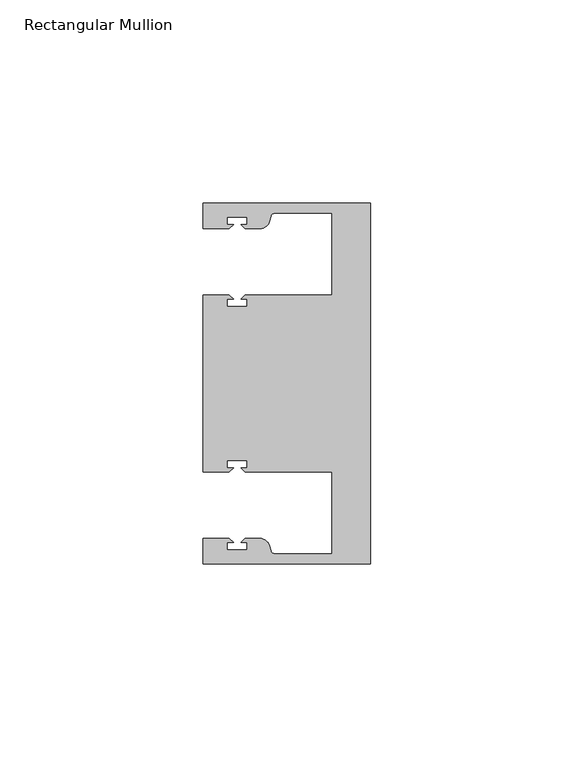
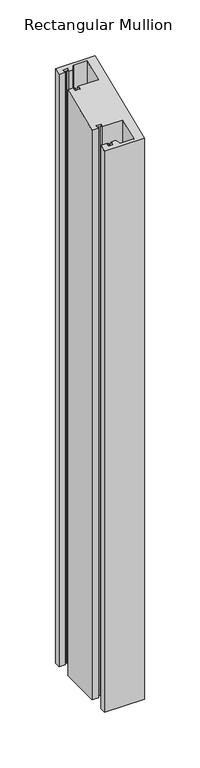
"""IFC4 building model written with IfcOpenShell, lengths in millimetres: member geometry, Rectangular Mullion."""

from ifc_helpers import new_model, si_unit, frame, origin, place, context, project, spatial, polyline, circle_curve, ellipse_curve, source, transform, mapped, element, save
from ifc_brep_helpers import plane_surface, cylinder_surface, revolved_surface, advanced_brep


def rectangular_mullion_9a7f9920(model_context):
    return source(origin(), model_context, "Body", "AdvancedBrep", [
        advanced_brep(
        [(0.0, 44.45, -635.0), (0.0, -44.45, -635.0), (-41.275, -44.45, -635.0), (-41.275, -38.1499897, -635.0), (-34.8007531, -38.1499897, -635.0), (-33.8007405, -39.1500023, -635.0), (-35.3749778, -39.1500023, -635.0), (-35.3749778, -40.9498819, -635.0), (-30.3749831, -40.9498819, -635.0), (-30.3749831, -39.1500023, -635.0), (-31.949256, -39.1500023, -635.0), (-30.9492503, -38.1499966, -635.0), (-27.2637853, -38.1499966, -635.0), (-24.8489707, -40.002949, -635.0), (-24.5258588, -41.2088192, -635.0), (-23.5599329, -41.9500001, -635.0), (-9.525, -41.95, -635.0), (-9.525, -21.7499959, -635.0), (-30.9492434, -21.7499959, -635.0), (-31.949256, -20.7499834, -635.0), (-30.3750186, -20.7499834, -635.0), (-30.3750186, -18.949936, -635.0), (-35.3750134, -18.949936, -635.0), (-35.3750134, -20.7499834, -635.0), (-33.8007405, -20.7499834, -635.0), (-34.8007562, -21.749999, -635.0), (-41.275, -21.749999, -635.0), (-41.275, 21.749999, -635.0), (-34.8007562, 21.749999, -635.0), (-33.8007405, 20.7499834, -635.0), (-35.3750134, 20.7499834, -635.0), (-35.3750134, 18.949936, -635.0), (-30.3750186, 18.949936, -635.0), (-30.3750186, 20.7499834, -635.0), (-31.949256, 20.7499834, -635.0), (-30.9492434, 21.7499959, -635.0), (-9.525, 21.7499959, -635.0), (-9.525, 41.95, -635.0), (-23.5599329, 41.95, -635.0), (-24.5258588, 41.2088192, -635.0), (-24.8489707, 40.002949, -635.0), (-27.2637853, 38.1499966, -635.0), (-30.9492503, 38.1499966, -635.0), (-31.949256, 39.1500023, -635.0), (-30.3749831, 39.1500023, -635.0), (-30.3749831, 40.9498819, -635.0), (-35.3749778, 40.9498819, -635.0), (-35.3749778, 39.1500023, -635.0), (-33.8007405, 39.1500023, -635.0), (-34.8007531, 38.1499897, -635.0), (-41.2749977, 38.1499897, -635.0), (-41.2749977, 44.45, -635.0), (-41.2749977, 44.45, 18.4117928), (0.0, 44.45, 18.4117928), (-41.2749977, 38.1499897, 15.8022431), (-34.8007531, 38.1499897, 15.8022431), (-33.8007405, 39.1500023, 16.2164619), (-35.3749778, 39.1500023, 16.2164619), (-35.3749778, 40.9498819, 16.9619965), (-30.3749831, 40.9498819, 16.9619965), (-30.3749831, 39.1500023, 16.2164619), (-31.949256, 39.1500023, 16.2164619), (-30.9492503, 38.1499966, 15.802246), (-27.2637853, 38.1499966, 15.802246), (-24.8489707, 40.002949, 16.569764), (-24.5258588, 41.2088192, 17.0692518), (-23.5599329, 41.9500001, 17.376259), (-9.525, 41.95, 17.3762589), (-9.525, 21.7499959, 9.0091433), (-30.9492434, 21.7499959, 9.0091433), (-31.949256, 20.7499834, 8.5949245), (-30.3750186, 20.7499834, 8.5949245), (-30.3750186, 18.949936, 7.8493205), (-35.3750134, 18.949936, 7.8493205), (-35.3750134, 20.7499834, 8.5949245), (-33.8007405, 20.7499834, 8.5949245), (-34.8007562, 21.749999, 9.0091446), (-41.275, 21.749999, 9.0091446), (-41.275, -21.749999, -9.0091446), (-34.8007562, -21.749999, -9.0091446), (-33.8007405, -20.7499834, -8.5949245), (-35.3750134, -20.7499834, -8.5949245), (-35.3750134, -18.949936, -7.8493205), (-30.3750186, -18.949936, -7.8493205), (-30.3750186, -20.7499834, -8.5949245), (-31.949256, -20.7499834, -8.5949245), (-30.9492434, -21.7499959, -9.0091433), (-9.525, -21.7499959, -9.0091433), (-9.525, -41.95, -17.3762589), (-23.5599329, -41.95, -17.376259), (-24.5258588, -41.2088192, -17.0692518), (-24.8489707, -40.002949, -16.569764), (-27.2637853, -38.1499966, -15.802246), (-30.9492503, -38.1499966, -15.802246), (-31.949256, -39.1500023, -16.2164619), (-30.3749831, -39.1500023, -16.2164619), (-30.3749831, -40.9498819, -16.9619965), (-35.3749778, -40.9498819, -16.9619965), (-35.3749778, -39.1500023, -16.2164619), (-33.8007405, -39.1500023, -16.2164619), (-34.8007531, -38.1499897, -15.8022431), (-41.275, -38.1499897, -15.8022431), (-41.275, -44.45, -18.4117928), (0.0, -44.45, -18.4117928)],
        [
            (0, 1),
            (1, 2),
            (2, 3),
            (3, 4),
            (4, 5),
            (5, 6),
            (6, 7),
            (7, 8),
            (8, 9),
            (9, 10),
            (10, 11),
            (11, 12),
            (12, 13, circle_curve(frame((-27.2637853, -40.6499966, -635.0), z_axis=(0.0, 0.0, -1.0), x_axis=(0.0, 1.0, 0.0)), 2.5)),
            (13, 14),
            (14, 15, circle_curve(frame((-23.5599329, -40.9500001, -635.0), z_axis=(0.0, 0.0, 1.0), x_axis=(0.0, 1.0, 0.0)), 1.0)),
            (15, 16),
            (16, 17),
            (17, 18),
            (18, 19),
            (19, 20),
            (20, 21),
            (21, 22),
            (22, 23),
            (23, 24),
            (24, 25),
            (25, 26),
            (26, 27),
            (27, 28),
            (28, 29),
            (29, 30),
            (30, 31),
            (31, 32),
            (32, 33),
            (33, 34),
            (34, 35),
            (35, 36),
            (36, 37),
            (37, 38),
            (38, 39, circle_curve(frame((-23.5599329, 40.9500001, -635.0), z_axis=(0.0, 0.0, 1.0), x_axis=(0.0, -1.0, 0.0)), 1.0)),
            (39, 40),
            (40, 41, circle_curve(frame((-27.2637853, 40.6499966, -635.0), z_axis=(0.0, 0.0, -1.0), x_axis=(0.0, -1.0, 0.0)), 2.5)),
            (41, 42),
            (42, 43),
            (43, 44),
            (44, 45),
            (45, 46),
            (46, 47),
            (47, 48),
            (48, 49),
            (49, 50),
            (50, 51),
            (51, 0),
            (52, 53),
            (53, 0),
            (51, 52),
            (54, 52),
            (50, 54),
            (55, 54),
            (49, 55),
            (56, 55),
            (48, 56),
            (57, 56),
            (47, 57),
            (58, 57),
            (46, 58),
            (59, 58),
            (45, 59),
            (60, 59),
            (44, 60),
            (61, 60),
            (43, 61),
            (62, 61),
            (42, 62),
            (63, 62),
            (41, 63),
            (64, 63, ellipse_curve(frame((-27.2637853, 40.6499966, 16.8377799), z_axis=(0.0, 0.3826834323650908, -0.9238795325112863), x_axis=(0.0, 0.9238795325112863, 0.38268343236509106)), 2.7059805, 2.5)),
            (40, 64),
            (65, 64),
            (39, 65),
            (66, 65, ellipse_curve(frame((-23.5599329, 40.9500001, 16.9620454), z_axis=(0.0, -0.3826834323650908, 0.9238795325112863), x_axis=(0.0, -0.9238795325112863, -0.38268343236509106)), 1.0823922, 1.0)),
            (38, 66),
            (67, 66),
            (37, 67),
            (68, 67),
            (36, 68),
            (69, 68),
            (35, 69),
            (70, 69),
            (34, 70),
            (71, 70),
            (33, 71),
            (72, 71),
            (32, 72),
            (73, 72),
            (31, 73),
            (74, 73),
            (30, 74),
            (75, 74),
            (29, 75),
            (76, 75),
            (28, 76),
            (77, 76),
            (27, 77),
            (78, 77),
            (26, 78),
            (79, 78),
            (25, 79),
            (80, 79),
            (24, 80),
            (81, 80),
            (23, 81),
            (82, 81),
            (22, 82),
            (83, 82),
            (21, 83),
            (84, 83),
            (20, 84),
            (85, 84),
            (19, 85),
            (86, 85),
            (18, 86),
            (87, 86),
            (17, 87),
            (88, 87),
            (16, 88),
            (89, 88),
            (15, 89),
            (90, 89, ellipse_curve(frame((-23.5599329, -40.9500001, -16.9620454), z_axis=(0.0, -0.3826834323650908, 0.9238795325112863), x_axis=(0.0, -0.9238795325112863, -0.38268343236509106)), 1.0823922, 1.0)),
            (14, 90),
            (91, 90),
            (13, 91),
            (92, 91, ellipse_curve(frame((-27.2637853, -40.6499966, -16.8377799), z_axis=(0.0, 0.3826834323650908, -0.9238795325112863), x_axis=(0.0, 0.9238795325112863, 0.38268343236509106)), 2.7059805, 2.5)),
            (12, 92),
            (93, 92),
            (11, 93),
            (94, 93),
            (10, 94),
            (95, 94),
            (9, 95),
            (96, 95),
            (8, 96),
            (97, 96),
            (7, 97),
            (98, 97),
            (6, 98),
            (99, 98),
            (5, 99),
            (100, 99),
            (4, 100),
            (101, 100),
            (3, 101),
            (102, 101),
            (2, 102),
            (103, 102),
            (1, 103),
            (53, 103),
        ],
        [
            plane_surface(frame((0.0, -60.6582898, -635.0), z_axis=(0.0, 0.0, -1.0), x_axis=(-1.0, 0.0, 0.0))),
            plane_surface(frame((0.0, 44.45, 0.0), z_axis=(0.0, 1.0, 0.0), x_axis=(0.0, 0.0, -1.0))),
            plane_surface(frame((-41.2749977, 44.45, 0.0), z_axis=(-1.0, 0.0, 0.0), x_axis=(0.0, 0.0, -1.0))),
            plane_surface(frame((-41.2749977, 38.1499897, 0.0), z_axis=(0.0, -1.0, 0.0), x_axis=(0.0, 0.0, -1.0))),
            plane_surface(frame((-34.8007531, 38.1499897, 0.0), z_axis=(0.7071067811865492, -0.7071067811865459, 0.0), x_axis=(0.0, 0.0, -1.0))),
            plane_surface(frame((-33.8007405, 39.1500023, 0.0), z_axis=(0.0, 1.0, 0.0), x_axis=(0.0, 0.0, -1.0))),
            plane_surface(frame((-35.3749778, 39.1500023, 0.0), z_axis=(1.0, 0.0, 0.0), x_axis=(0.0, 0.0, -1.0))),
            plane_surface(frame((-35.3749778, 40.9498819, 0.0), z_axis=(0.0, -1.0, 0.0), x_axis=(0.0, 0.0, -1.0))),
            plane_surface(frame((-30.3749831, 40.9498819, 0.0), z_axis=(-1.0, 0.0, 0.0), x_axis=(0.0, 0.0, -1.0))),
            plane_surface(frame((-30.3749831, 39.1500023, 0.0), z_axis=(0.0, 1.0, 0.0), x_axis=(0.0, 0.0, -1.0))),
            plane_surface(frame((-31.949256, 39.1500023, 0.0), z_axis=(-0.7071067811865469, -0.7071067811865481, 0.0), x_axis=(0.0, 0.0, -1.0))),
            plane_surface(frame((-30.9492503, 38.1499966, 0.0), z_axis=(0.0, -1.0, 0.0), x_axis=(0.0, 0.0, -1.0))),
            cylinder_surface(frame((-27.2637853, 40.6499966, 0.0), z_axis=(0.0, 0.0, 1.0), x_axis=(0.0, -1.0, 0.0)), 2.5),
            plane_surface(frame((-24.8489707, 40.002949, 0.0), z_axis=(0.965925826289163, -0.2588190451021675, 0.0), x_axis=(0.0, 0.0, -1.0))),
            revolved_surface(polyline([(-23.5599329, 39.9500001, -635.0), (-23.5599329, 39.9500001, 17.376259)]), (-23.5599329, 40.9500001, 0.0), (0.0, 0.0, -1.0)),
            plane_surface(frame((-23.5599329, 41.95, 0.0), z_axis=(0.0, -1.0, 0.0), x_axis=(0.0, 0.0, -1.0))),
            plane_surface(frame((-9.525, 41.95, 0.0), z_axis=(-1.0, 0.0, 0.0), x_axis=(0.0, 0.0, -1.0))),
            plane_surface(frame((-9.525, 21.7499959, 0.0), z_axis=(0.0, 1.0, 0.0), x_axis=(0.0, 0.0, -1.0))),
            plane_surface(frame((-30.9492434, 21.7499959, 0.0), z_axis=(-0.7071067811865492, 0.7071067811865459, 0.0), x_axis=(0.0, 0.0, -1.0))),
            plane_surface(frame((-31.949256, 20.7499834, 0.0), z_axis=(0.0, -1.0, 0.0), x_axis=(0.0, 0.0, -1.0))),
            plane_surface(frame((-30.3750186, 20.7499834, 0.0), z_axis=(-1.0, 0.0, 0.0), x_axis=(0.0, 0.0, -1.0))),
            plane_surface(frame((-30.3750186, 18.949936, 0.0), z_axis=(0.0, 1.0, 0.0), x_axis=(0.0, 0.0, -1.0))),
            plane_surface(frame((-35.3750134, 18.949936, 0.0), z_axis=(1.0, 0.0, 0.0), x_axis=(0.0, 0.0, -1.0))),
            plane_surface(frame((-35.3750134, 20.7499834, 0.0), z_axis=(0.0, -1.0, 0.0), x_axis=(0.0, 0.0, -1.0))),
            plane_surface(frame((-33.8007405, 20.7499834, 0.0), z_axis=(0.7071067811865472, 0.7071067811865479, 0.0), x_axis=(0.0, 0.0, -1.0))),
            plane_surface(frame((-34.8007562, 21.749999, 0.0), z_axis=(0.0, 1.0, 0.0), x_axis=(0.0, 0.0, -1.0))),
            plane_surface(frame((-41.275, 21.749999, 0.0), z_axis=(-1.0, 0.0, 0.0), x_axis=(0.0, 0.0, -1.0))),
            plane_surface(frame((-41.275, -21.749999, 0.0), z_axis=(0.0, -1.0, 0.0), x_axis=(0.0, 0.0, -1.0))),
            plane_surface(frame((-34.8007562, -21.749999, 0.0), z_axis=(0.7071067811865427, -0.7071067811865525, 0.0), x_axis=(0.0, 0.0, -1.0))),
            plane_surface(frame((-33.8007405, -20.7499834, 0.0), z_axis=(0.0, 1.0, 0.0), x_axis=(0.0, 0.0, -1.0))),
            plane_surface(frame((-35.3750134, -20.7499834, 0.0), z_axis=(1.0, 0.0, 0.0), x_axis=(0.0, 0.0, -1.0))),
            plane_surface(frame((-35.3750134, -18.949936, 0.0), z_axis=(0.0, -1.0, 0.0), x_axis=(0.0, 0.0, -1.0))),
            plane_surface(frame((-30.3750186, -18.949936, 0.0), z_axis=(-1.0, 0.0, 0.0), x_axis=(0.0, 0.0, -1.0))),
            plane_surface(frame((-30.3750186, -20.7499834, 0.0), z_axis=(0.0, 1.0, 0.0), x_axis=(0.0, 0.0, -1.0))),
            plane_surface(frame((-31.949256, -20.7499834, 0.0), z_axis=(-0.7071067811865538, -0.7071067811865414, 0.0), x_axis=(0.0, 0.0, -1.0))),
            plane_surface(frame((-30.9492434, -21.7499959, 0.0), z_axis=(0.0, -1.0, 0.0), x_axis=(0.0, 0.0, -1.0))),
            plane_surface(frame((-9.525, -21.7499959, 0.0), z_axis=(-1.0, 0.0, 0.0), x_axis=(0.0, 0.0, -1.0))),
            plane_surface(frame((-9.525, -41.95, 0.0), z_axis=(0.0, 1.0, 0.0), x_axis=(0.0, 0.0, -1.0))),
            revolved_surface(polyline([(-23.5599329, -39.9500001, -635.0), (-23.5599329, -39.9500001, -16.547831837738798)]), (-23.5599329, -40.9500001, 0.0), (0.0, 0.0, -1.0)),
            plane_surface(frame((-24.5258588, -41.2088192, 0.0), z_axis=(0.9659258262891647, 0.25881904510216125, 0.0), x_axis=(0.0, 0.0, -1.0))),
            cylinder_surface(frame((-27.2637853, -40.6499966, 0.0), z_axis=(0.0, 0.0, 1.0), x_axis=(0.0, 1.0, 0.0)), 2.5),
            plane_surface(frame((-27.2637853, -38.1499966, 0.0), z_axis=(0.0, 1.0, 0.0), x_axis=(0.0, 0.0, -1.0))),
            plane_surface(frame((-30.9492503, -38.1499966, 0.0), z_axis=(-0.7071067811865424, 0.7071067811865527, 0.0), x_axis=(0.0, 0.0, -1.0))),
            plane_surface(frame((-31.949256, -39.1500023, 0.0), z_axis=(0.0, -1.0, 0.0), x_axis=(0.0, 0.0, -1.0))),
            plane_surface(frame((-30.3749831, -39.1500023, 0.0), z_axis=(-1.0, 0.0, 0.0), x_axis=(0.0, 0.0, -1.0))),
            plane_surface(frame((-30.3749831, -40.9498819, 0.0), z_axis=(0.0, 1.0, 0.0), x_axis=(0.0, 0.0, -1.0))),
            plane_surface(frame((-35.3749778, -40.9498819, 0.0), z_axis=(1.0, 0.0, 0.0), x_axis=(0.0, 0.0, -1.0))),
            plane_surface(frame((-35.3749778, -39.1500023, 0.0), z_axis=(0.0, -1.0, 0.0), x_axis=(0.0, 0.0, -1.0))),
            plane_surface(frame((-33.8007405, -39.1500023, 0.0), z_axis=(0.7071067811865538, 0.7071067811865414, 0.0), x_axis=(0.0, 0.0, -1.0))),
            plane_surface(frame((-34.8007531, -38.1499897, 0.0), z_axis=(0.0, 1.0, 0.0), x_axis=(0.0, 0.0, -1.0))),
            plane_surface(frame((-41.275, -38.1499897, 0.0), z_axis=(-1.0, 0.0, 0.0), x_axis=(0.0, 0.0, -1.0))),
            plane_surface(frame((-41.275, -44.45, 0.0), z_axis=(0.0, -1.0, 0.0), x_axis=(0.0, 0.0, -1.0))),
            plane_surface(frame((0.0, -44.45, 0.0), z_axis=(1.0, 0.0, 0.0), x_axis=(0.0, 0.0, -1.0))),
            plane_surface(frame((304.8, 0.0, 0.0), z_axis=(0.0, -0.3826834323650908, 0.9238795325112863), x_axis=(0.0, -0.9238795325112863, -0.3826834323650908))),
        ],
        [
            (0, [[1, 2, 3, 4, 5, 6, 7, 8, 9, 10, 11, 12, 13, 14, 15, 16, 17, 18, 19, 20, 21, 22, 23, 24, 25, 26, 27, 28, 29, 30, 31, 32, 33, 34, 35, 36, 37, 38, 39, 40, 41, 42, 43, 44, 45, 46, 47, 48, 49, 50, 51, 52]]),
            (1, [[53, 54, -52, 55]]),
            (2, [[56, -55, -51, 57]]),
            (3, [[58, -57, -50, 59]]),
            (4, [[60, -59, -49, 61]]),
            (5, [[62, -61, -48, 63]]),
            (6, [[64, -63, -47, 65]]),
            (7, [[66, -65, -46, 67]]),
            (8, [[68, -67, -45, 69]]),
            (9, [[70, -69, -44, 71]]),
            (10, [[72, -71, -43, 73]]),
            (11, [[74, -73, -42, 75]]),
            (12, [[76, -75, -41, 77]]),
            (13, [[78, -77, -40, 79]]),
            (14, [[80, -79, -39, 81]]),
            (15, [[82, -81, -38, 83]]),
            (16, [[84, -83, -37, 85]]),
            (17, [[86, -85, -36, 87]]),
            (18, [[88, -87, -35, 89]]),
            (19, [[90, -89, -34, 91]]),
            (20, [[92, -91, -33, 93]]),
            (21, [[94, -93, -32, 95]]),
            (22, [[96, -95, -31, 97]]),
            (23, [[98, -97, -30, 99]]),
            (24, [[100, -99, -29, 101]]),
            (25, [[102, -101, -28, 103]]),
            (26, [[104, -103, -27, 105]]),
            (27, [[106, -105, -26, 107]]),
            (28, [[108, -107, -25, 109]]),
            (29, [[110, -109, -24, 111]]),
            (30, [[112, -111, -23, 113]]),
            (31, [[114, -113, -22, 115]]),
            (32, [[116, -115, -21, 117]]),
            (33, [[118, -117, -20, 119]]),
            (34, [[120, -119, -19, 121]]),
            (35, [[122, -121, -18, 123]]),
            (36, [[124, -123, -17, 125]]),
            (37, [[126, -125, -16, 127]]),
            (38, [[128, -127, -15, 129]]),
            (39, [[130, -129, -14, 131]]),
            (40, [[132, -131, -13, 133]]),
            (41, [[134, -133, -12, 135]]),
            (42, [[136, -135, -11, 137]]),
            (43, [[138, -137, -10, 139]]),
            (44, [[140, -139, -9, 141]]),
            (45, [[142, -141, -8, 143]]),
            (46, [[144, -143, -7, 145]]),
            (47, [[146, -145, -6, 147]]),
            (48, [[148, -147, -5, 149]]),
            (49, [[150, -149, -4, 151]]),
            (50, [[152, -151, -3, 153]]),
            (51, [[154, -153, -2, 155]]),
            (52, [[156, -155, -1, -54]]),
            (53, [[-53, -56, -58, -60, -62, -64, -66, -68, -70, -72, -74, -76, -78, -80, -82, -84, -86, -88, -90, -92, -94, -96, -98, -100, -102, -104, -106, -108, -110, -112, -114, -116, -118, -120, -122, -124, -126, -128, -130, -132, -134, -136, -138, -140, -142, -144, -146, -148, -150, -152, -154, -156]]),
        ],
    ),
    ])


if __name__ == "__main__":
    model = new_model("IFC4")
    model_context = context("Model", 3, world=origin())
    ifc_project = project(units=[si_unit("LENGTHUNIT", "METRE", prefix="MILLI")], contexts=[model_context])
    site = spatial("IfcSite", under=ifc_project)
    building = spatial("IfcBuilding", under=site)
    placement = place(None, origin())
    rectangular_mullion_shape = rectangular_mullion_9a7f9920(model_context)
    element("IfcMember", 1, ObjectType="Rectangular Mullion", at=placement, inside=building, context=model_context, shape_type="MappedRepresentation", body=[
        mapped(rectangular_mullion_shape, transform((0.0, 0.0, 0.0), x_axis=(1.0, 0.0, 0.0), y_axis=(0.0, 1.0, 0.0), z_axis=(0.0, 0.0, 1.0))),
    ])
    save(model, "model.ifc")
